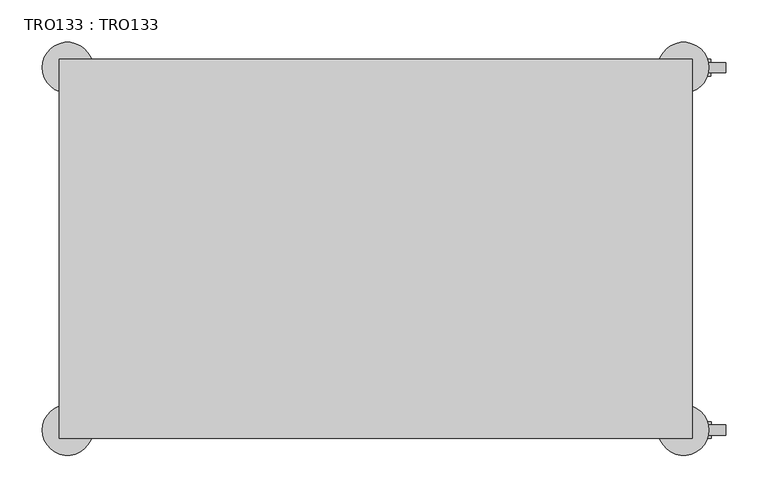
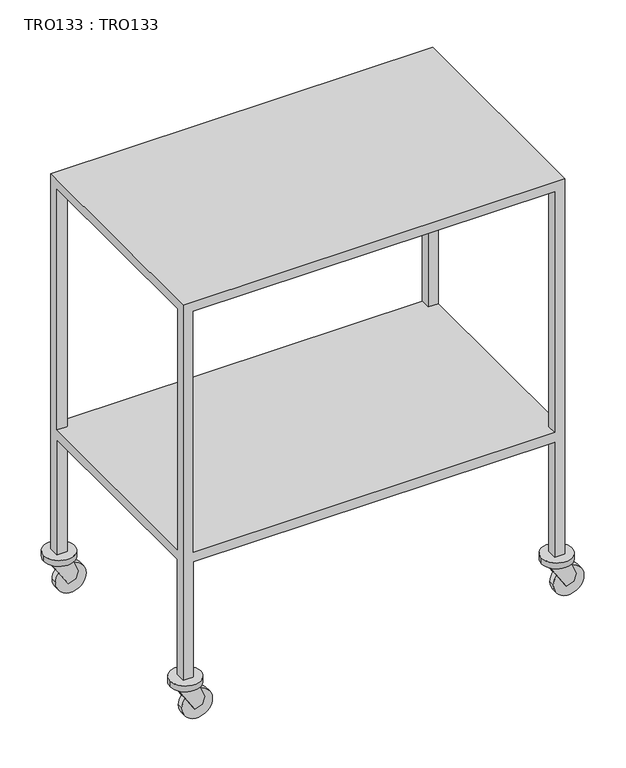
"""IFC4 building model written with IfcOpenShell, lengths in millimetres: proxy geometry, TRO133 : TRO133."""

from ifc_helpers import new_model, si_unit, point, frame, frame_2d, origin, place, context, project, spatial, polyline, circle_curve, trimmed, segment, composite_curve, outline, extrude, faceted_brep, source, transform, mapped, element, save


def tro133_tro133_3d6194ba(model_context):
    return source(origin(), model_context, "Body", "SolidModel", [
        extrude(outline(composite_curve([segment(trimmed(circle_curve(frame_2d((30.0, 759.9286517)), 30.0), [point((30.0, 729.9286517))], [point((30.0, 789.9286517))], False, "CARTESIAN"), True, "CONTINUOUS"), segment(trimmed(circle_curve(frame_2d((30.0, 759.9286517)), 30.0), [point((30.0, 789.9286517))], [point((30.0, 729.9286517))], False, "CARTESIAN"), True, "CONTINUOUS")], self_intersect=False)), frame((0.0, -16.0, 0.0), z_axis=(0.0, 1.0, 0.0), x_axis=(0.0, 0.0, 1.0)), (0.0, 0.0, 1.0), 12.0),
        extrude(outline(polyline([(22.5000006, 752.4286523), (27.3849929, 767.4631125), (42.5561699, 772.3925267), (77.5000024, 757.4286514), (77.5000024, 717.4286516), (22.5000006, 752.4286523)])), frame((0.0, -20.0, 0.0), z_axis=(0.0, 1.0, 0.0), x_axis=(0.0, 0.0, 1.0)), (0.0, 0.0, 1.0), 4.0),
        extrude(outline(polyline([(22.5000006, 752.4286523), (27.3849929, 767.4631125), (42.5561699, 772.3925267), (77.5000024, 757.4286514), (77.5000024, 717.4286516), (22.5000006, 752.4286523)])), frame((0.0, -4.0, 0.0), z_axis=(0.0, 1.0, 0.0), x_axis=(0.0, 0.0, 1.0)), (0.0, 0.0, 1.0), 4.0),
        extrude(outline(composite_curve([segment(trimmed(circle_curve(frame_2d((30.0, 760.0)), 30.0), [point((30.0, 730.0))], [point((30.0, 790.0))], False, "CARTESIAN"), True, "CONTINUOUS"), segment(trimmed(circle_curve(frame_2d((30.0, 760.0)), 30.0), [point((30.0, 790.0))], [point((30.0, 730.0))], False, "CARTESIAN"), True, "CONTINUOUS")], self_intersect=False)), frame((0.0, -446.0, 0.0), z_axis=(0.0, 1.0, 0.0), x_axis=(0.0, 0.0, 1.0)), (0.0, 0.0, 1.0), 12.0),
        extrude(outline(polyline([(22.5000006, 752.5000006), (27.3849929, 767.5344609), (42.5561699, 772.4638751), (77.5000024, 757.4999998), (77.5000024, 717.4999999), (22.5000006, 752.5000006)])), frame((0.0, -450.0, 0.0), z_axis=(0.0, 1.0, 0.0), x_axis=(0.0, 0.0, 1.0)), (0.0, 0.0, 1.0), 4.0),
        extrude(outline(polyline([(22.5000006, 752.5000006), (27.3849929, 767.5344609), (42.5561699, 772.4638751), (77.5000024, 757.4999998), (77.5000024, 717.4999999), (22.5000006, 752.5000006)])), frame((0.0, -434.0, 0.0), z_axis=(0.0, 1.0, 0.0), x_axis=(0.0, 0.0, 1.0)), (0.0, 0.0, 1.0), 4.0),
        extrude(outline(composite_curve([segment(trimmed(circle_curve(frame_2d((30.0, 29.8320989)), 30.0), [point((30.0, -0.1679011))], [point((30.0, 59.8320989))], False, "CARTESIAN"), True, "CONTINUOUS"), segment(trimmed(circle_curve(frame_2d((30.0, 29.8320989)), 30.0), [point((30.0, 59.8320989))], [point((30.0, -0.1679011))], False, "CARTESIAN"), True, "CONTINUOUS")], self_intersect=False)), frame((0.0, -446.0, 0.0), z_axis=(0.0, 1.0, 0.0), x_axis=(0.0, 0.0, 1.0)), (0.0, 0.0, 1.0), 12.0),
        extrude(outline(polyline([(22.5000006, 22.3320995), (27.3849929, 37.3665597), (42.5561699, 42.295974), (77.5000024, 27.3320986), (77.5000024, -12.6679012), (22.5000006, 22.3320995)])), frame((0.0, -450.0, 0.0), z_axis=(0.0, 1.0, 0.0), x_axis=(0.0, 0.0, 1.0)), (0.0, 0.0, 1.0), 4.0),
        extrude(outline(polyline([(22.5000006, 22.3320995), (27.3849929, 37.3665597), (42.5561699, 42.295974), (77.5000024, 27.3320986), (77.5000024, -12.6679012), (22.5000006, 22.3320995)])), frame((0.0, -434.0, 0.0), z_axis=(0.0, 1.0, 0.0), x_axis=(0.0, 0.0, 1.0)), (0.0, 0.0, 1.0), 4.0),
        extrude(outline(composite_curve([segment(trimmed(circle_curve(frame_2d((30.0, 30.0)), 30.0), [point((30.0, 0.0))], [point((30.0, 60.0))], False, "CARTESIAN"), True, "CONTINUOUS"), segment(trimmed(circle_curve(frame_2d((30.0, 30.0)), 30.0), [point((30.0, 60.0))], [point((30.0, 0.0))], False, "CARTESIAN"), True, "CONTINUOUS")], self_intersect=False)), frame((0.0, -16.0, 0.0), z_axis=(0.0, 1.0, 0.0), x_axis=(0.0, 0.0, 1.0)), (0.0, 0.0, 1.0), 12.0),
        extrude(outline(polyline([(22.5000006, 22.5000006), (27.3849929, 37.5344609), (42.5561699, 42.4638751), (77.5000024, 27.4999998), (77.5000024, -12.5000001), (22.5000006, 22.5000006)])), frame((0.0, -20.0, 0.0), z_axis=(0.0, 1.0, 0.0), x_axis=(0.0, 0.0, 1.0)), (0.0, 0.0, 1.0), 4.0),
        extrude(outline(polyline([(22.5000006, 22.5000006), (27.3849929, 37.5344609), (42.5561699, 42.4638751), (77.5000024, 27.4999998), (77.5000024, -12.5000001), (22.5000006, 22.5000006)])), frame((0.0, -4.0, 0.0), z_axis=(0.0, 1.0, 0.0), x_axis=(0.0, 0.0, 1.0)), (0.0, 0.0, 1.0), 4.0),
        extrude(outline(composite_curve([segment(trimmed(circle_curve(frame_2d((10.0, -10.0)), 30.0), [point((-20.0, -10.0))], [point((40.0, -10.0))], False, "CARTESIAN"), True, "CONTINUOUS"), segment(trimmed(circle_curve(frame_2d((10.0, -10.0)), 30.0), [point((40.0, -10.0))], [point((-20.0, -10.0))], False, "CARTESIAN"), True, "CONTINUOUS")], self_intersect=False)), frame((0.0, 0.0, 78.0), z_axis=(0.0, 0.0, 1.0), x_axis=(1.0, 0.0, 0.0)), (0.0, 0.0, 1.0), 12.0),
        extrude(outline(composite_curve([segment(trimmed(circle_curve(frame_2d((10.0, -440.0)), 30.0), [point((-20.0, -440.0))], [point((40.0, -440.0))], False, "CARTESIAN"), True, "CONTINUOUS"), segment(trimmed(circle_curve(frame_2d((10.0, -440.0)), 30.0), [point((40.0, -440.0))], [point((-20.0, -440.0))], False, "CARTESIAN"), True, "CONTINUOUS")], self_intersect=False)), frame((0.0, 0.0, 78.0), z_axis=(0.0, 0.0, 1.0), x_axis=(1.0, 0.0, 0.0)), (0.0, 0.0, 1.0), 12.0),
        extrude(outline(composite_curve([segment(trimmed(circle_curve(frame_2d((740.0, -440.0)), 30.0), [point((710.0, -440.0))], [point((770.0, -440.0))], False, "CARTESIAN"), True, "CONTINUOUS"), segment(trimmed(circle_curve(frame_2d((740.0, -440.0)), 30.0), [point((770.0, -440.0))], [point((710.0, -440.0))], False, "CARTESIAN"), True, "CONTINUOUS")], self_intersect=False)), frame((0.0, 0.0, 78.0), z_axis=(0.0, 0.0, 1.0), x_axis=(1.0, 0.0, 0.0)), (0.0, 0.0, 1.0), 12.0),
        extrude(outline(composite_curve([segment(trimmed(circle_curve(frame_2d((740.0, -10.0)), 30.0), [point((710.0, -10.0))], [point((770.0, -10.0))], False, "CARTESIAN"), True, "CONTINUOUS"), segment(trimmed(circle_curve(frame_2d((740.0, -10.0)), 30.0), [point((770.0, -10.0))], [point((710.0, -10.0))], False, "CARTESIAN"), True, "CONTINUOUS")], self_intersect=False)), frame((0.0, 0.0, 78.0), z_axis=(0.0, 0.0, 1.0), x_axis=(1.0, 0.0, 0.0)), (0.0, 0.0, 1.0), 12.0),
        faceted_brep([(20.0000011, 0.0, 90.0), (20.0000011, -20.0000011, 90.0), (0.0, -20.0000011, 90.0), (0.0, 0.0, 90.0), (750.0000057, 0.0, 90.0), (750.0000057, -20.0000011, 90.0), (729.999991, -20.0000011, 90.0), (729.999991, 0.0, 90.0), (750.0000057, -429.9999887, 90.0), (750.0000057, -450.0000034, 90.0), (729.999991, -450.0000034, 90.0), (729.999991, -429.9999887, 90.0), (20.0000011, -429.9999887, 90.0), (20.0000011, -450.0000034, 90.0), (0.0, -450.0000034, 90.0), (0.0, -429.9999887, 90.0), (0.0, 0.0, 870.0000212), (750.0000057, 0.0, 870.0000212), (729.999991, 0.0, 329.999988), (20.0000011, 0.0, 329.999988), (20.0000011, 0.0, 350.0000027), (729.999991, 0.0, 350.0000027), (729.999991, 0.0, 850.0000065), (20.0000011, 0.0, 850.0000065), (0.0, -20.0000011, 329.999988), (0.0, -429.9999887, 329.999988), (0.0, -450.0000034, 870.0000212), (0.0, -20.0000011, 850.0000065), (0.0, -429.9999887, 850.0000065), (0.0, -429.9999887, 350.0000027), (0.0, -20.0000011, 350.0000027), (20.0000011, -20.0000011, 329.999988), (20.0000011, -20.0000011, 350.0000027), (20.0000011, -20.0000011, 850.0000065), (729.999991, -20.0000011, 329.999988), (729.999991, -20.0000011, 350.0000027), (729.999991, -20.0000011, 850.0000065), (750.0000057, -20.0000011, 329.999988), (750.0000057, -20.0000011, 350.0000027), (750.0000057, -20.0000011, 850.0000065), (750.0000057, -450.0000034, 870.0000212), (750.0000057, -429.9999887, 329.999988), (750.0000057, -429.9999887, 350.0000027), (750.0000057, -429.9999887, 850.0000065), (729.999991, -429.9999887, 329.999988), (729.999991, -429.9999887, 350.0000027), (729.999991, -429.9999887, 850.0000065), (729.999991, -450.0000034, 329.999988), (729.999991, -450.0000034, 350.0000027), (729.999991, -450.0000034, 850.0000065), (20.0000011, -450.0000034, 329.999988), (20.0000011, -450.0000034, 350.0000027), (20.0000011, -450.0000034, 850.0000065), (20.0000011, -429.9999887, 329.999988), (20.0000011, -429.9999887, 850.0000065), (20.0000011, -429.9999887, 350.0000027)], [[[0, 1, 2, 3]], [[4, 5, 6, 7]], [[8, 9, 10, 11]], [[12, 13, 14, 15]], [[0, 3, 16, 17, 4, 7, 18, 19], [20, 21, 22, 23]], [[16, 3, 2, 24, 25, 15, 14, 26], [27, 28, 29, 30]], [[2, 1, 31, 24]], [[27, 30, 32, 33]], [[1, 0, 19, 31]], [[20, 23, 33, 32]], [[7, 6, 34, 18]], [[22, 21, 35, 36]], [[6, 5, 37, 34]], [[36, 35, 38, 39]], [[5, 4, 17, 40, 9, 8, 41, 37], [38, 42, 43, 39]], [[8, 11, 44, 41]], [[43, 42, 45, 46]], [[11, 10, 47, 44]], [[46, 45, 48, 49]], [[10, 9, 40, 26, 14, 13, 50, 47], [48, 51, 52, 49]], [[12, 15, 25, 53]], [[54, 55, 29, 28]], [[13, 12, 53, 50]], [[55, 54, 52, 51]], [[26, 40, 17, 16]], [[23, 22, 36, 39, 43, 46, 49, 52, 54, 28, 27, 33]], [[21, 20, 32, 30, 29, 55, 51, 48, 45, 42, 38, 35]], [[19, 18, 34, 37, 41, 44, 47, 50, 53, 25, 24, 31]]]),
    ])


if __name__ == "__main__":
    model = new_model("IFC4")
    model_context = context("Model", 3, world=origin())
    ifc_project = project(units=[si_unit("LENGTHUNIT", "METRE", prefix="MILLI")], contexts=[model_context])
    site = spatial("IfcSite", under=ifc_project)
    building = spatial("IfcBuilding", under=site)
    placement = place(None, origin())
    tro133_tro133_shape = tro133_tro133_3d6194ba(model_context)
    element("IfcBuildingElementProxy", 1, Name="TRO133 : TRO133", ObjectType="TRO133 : TRO133", at=placement, inside=building, context=model_context, shape_type="MappedRepresentation", body=[
        mapped(tro133_tro133_shape, transform((0.0, 0.0, 0.0), x_axis=(1.0, 0.0, 0.0), y_axis=(0.0, 1.0, 0.0), z_axis=(0.0, 0.0, 1.0))),
    ])
    save(model, "model.ifc")
